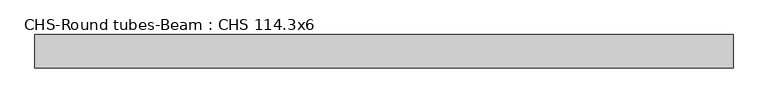
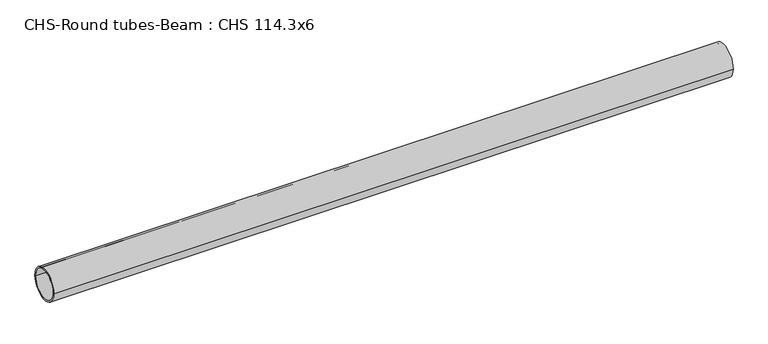
"""IFC4 building model written with IfcOpenShell, lengths in millimetres: beam geometry, CHS-Round tubes-Beam : CHS 114.3x6."""

from ifc_helpers import new_model, si_unit, point, frame, origin, origin_2d, place, context, project, spatial, circle_curve, trimmed, segment, composite_curve, outline, extrude, source, transform, mapped, element, save


def chs_round_tubes_beam_chs_114_3x6_fd7fbf47(model_context):
    return source(origin(), model_context, "Body", "SweptSolid", [
        extrude(outline(composite_curve([segment(trimmed(circle_curve(origin_2d(), 57.15), [point((57.15, 0.0))], [point((-57.15, 0.0))], False, "CARTESIAN"), True, "CONTINUOUS"), segment(trimmed(circle_curve(origin_2d(), 57.15), [point((-57.15, 0.0))], [point((57.15, 0.0))], False, "CARTESIAN"), True, "CONTINUOUS")], self_intersect=False), holes=[composite_curve([segment(trimmed(circle_curve(origin_2d(), 51.15), [point((51.15, 0.0))], [point((-51.15, 0.0))], True, "CARTESIAN"), True, "CONTINUOUS"), segment(trimmed(circle_curve(origin_2d(), 51.15), [point((-51.15, 0.0))], [point((51.15, 0.0))], True, "CARTESIAN"), True, "CONTINUOUS")], self_intersect=False)]), frame((-1127.1660658, 0.0, 0.0), z_axis=(1.0, 0.0, 0.0), x_axis=(0.0, 1.0, 0.0)), (0.0, 0.0, 1.0), 2378.9170768),
    ])


if __name__ == "__main__":
    model = new_model("IFC4")
    model_context = context("Model", 3, world=origin())
    ifc_project = project(units=[si_unit("LENGTHUNIT", "METRE", prefix="MILLI")], contexts=[model_context])
    site = spatial("IfcSite", under=ifc_project)
    building = spatial("IfcBuilding", under=site)
    placement = place(None, origin())
    chs_round_tubes_beam_chs_114_3x6_shape = chs_round_tubes_beam_chs_114_3x6_fd7fbf47(model_context)
    element("IfcBeam", 1, ObjectType="CHS-Round tubes-Beam : CHS 114.3x6", at=placement, inside=building, context=model_context, shape_type="MappedRepresentation", body=[
        mapped(chs_round_tubes_beam_chs_114_3x6_shape, transform((0.0, 0.0, 0.0), x_axis=(1.0, 0.0, 0.0), y_axis=(0.0, 1.0, 0.0), z_axis=(0.0, 0.0, 1.0))),
    ])
    save(model, "model.ifc")
